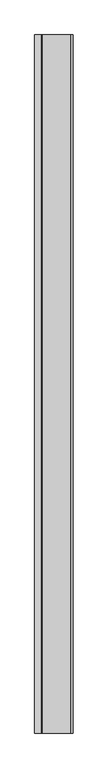
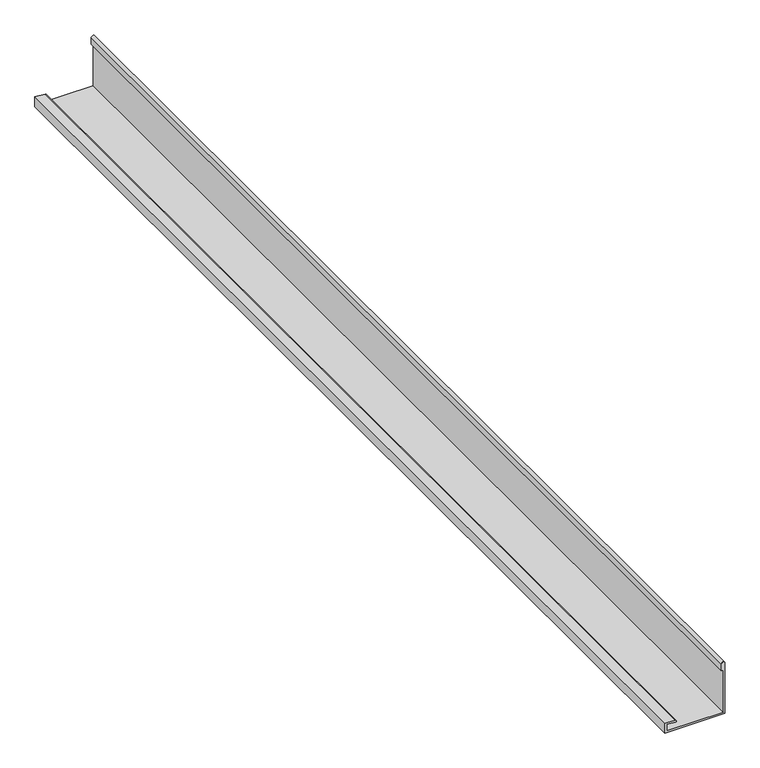
"""IFC4 building model written with IfcOpenShell, lengths in millimetres: proxy geometry."""

from ifc_helpers import new_model, si_unit, point, frame, frame_2d, origin, place, context, project, spatial, polyline, circle_curve, trimmed, segment, composite_curve, outline, extrude, source, transform, mapped, element, save


def generic_models_b558c6f4(model_context):
    return source(origin(), model_context, "Body", "SweptSolid", [
        extrude(outline(composite_curve([segment(polyline([(3799.2452806, -11761.1071097), (3799.2452806, -11591.1071097), (3949.6655464, -11591.1071097)]), True, "CONTINUOUS"), segment(trimmed(circle_curve(frame_2d((3949.6655464, -11596.1071097)), 5.0), [point((3949.6655464, -11591.1071097))], [point((3949.6655464, -11601.1071097))], False, "CARTESIAN"), True, "CONTINUOUS"), segment(polyline([(3949.6655464, -11601.1071097), (3929.6655464, -11601.1071097), (3929.6655464, -11596.1071097), (3804.2452806, -11596.1071097), (3804.2452806, -11756.1071097), (3823.7887381, -11756.1071097), (3821.6496348, -11731.6570474)]), True, "CONTINUOUS"), segment(trimmed(circle_curve(frame_2d((3824.1401216, -11731.4391581)), 2.5), [point((3821.6496348, -11731.6570474))], [point((3826.6306083, -11731.2212687))], False, "CARTESIAN"), True, "CONTINUOUS"), segment(polyline([(3826.6306083, -11731.2212687), (3829.2452806, -11761.1071097), (3799.2452806, -11761.1071097)]), True, "CONTINUOUS")], self_intersect=False)), frame((0.0, -1342.7120579, 0.0), z_axis=(0.0, 1.0, 0.0), x_axis=(0.0, 0.0, 1.0)), (0.0, 0.0, 1.0), 3090.0),
    ])


if __name__ == "__main__":
    model = new_model("IFC4")
    model_context = context("Model", 3, world=origin())
    ifc_project = project(units=[si_unit("LENGTHUNIT", "METRE", prefix="MILLI")], contexts=[model_context])
    site = spatial("IfcSite", under=ifc_project)
    building = spatial("IfcBuilding", under=site)
    placement = place(None, origin())
    generic_models_shape = generic_models_b558c6f4(model_context)
    element("IfcBuildingElementProxy", 1, Name="Generic Models", at=placement, inside=building, context=model_context, shape_type="MappedRepresentation", body=[
        mapped(generic_models_shape, transform((0.0, 0.0, 0.0), x_axis=(1.0, 0.0, 0.0), y_axis=(0.0, 1.0, 0.0), z_axis=(0.0, 0.0, 1.0))),
    ])
    save(model, "model.ifc")
